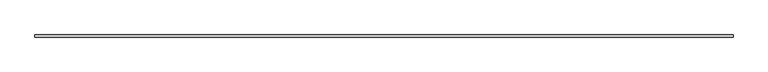
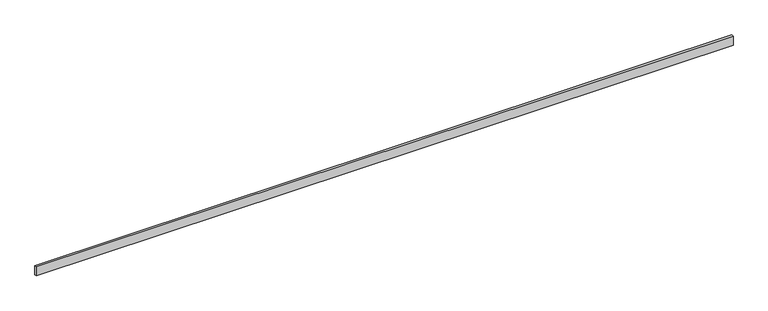
"""IFC4 building model written with IfcOpenShell, lengths in millimetres: beam geometry."""

from ifc_helpers import new_model, si_unit, frame, origin, place, context, project, spatial, polyline, outline, extrude, source, transform, mapped, element, save


def beam_254bf905(model_context):
    return source(origin(), model_context, "Body", "SweptSolid", [
        extrude(outline(polyline([(-7333.75, 22.5), (7333.75, 22.5), (7333.75, -22.5), (-7333.75, -22.5), (-7333.75, 22.5)])), frame((0.0, 0.0, -100.0), z_axis=(0.0, 0.0, 1.0), x_axis=(1.0, 0.0, 0.0)), (0.0, 0.0, 1.0), 200.0),
    ])


if __name__ == "__main__":
    model = new_model("IFC4")
    model_context = context("Model", 3, world=origin())
    ifc_project = project(units=[si_unit("LENGTHUNIT", "METRE", prefix="MILLI")], contexts=[model_context])
    site = spatial("IfcSite", under=ifc_project)
    building = spatial("IfcBuilding", under=site)
    placement = place(None, origin())
    beam_shape = beam_254bf905(model_context)
    element("IfcBeam", 1, at=placement, inside=building, context=model_context, shape_type="MappedRepresentation", body=[
        mapped(beam_shape, transform((0.0, 0.0, 0.0), x_axis=(1.0, 0.0, 0.0), y_axis=(0.0, 1.0, 0.0), z_axis=(0.0, 0.0, 1.0))),
    ])
    save(model, "model.ifc")
